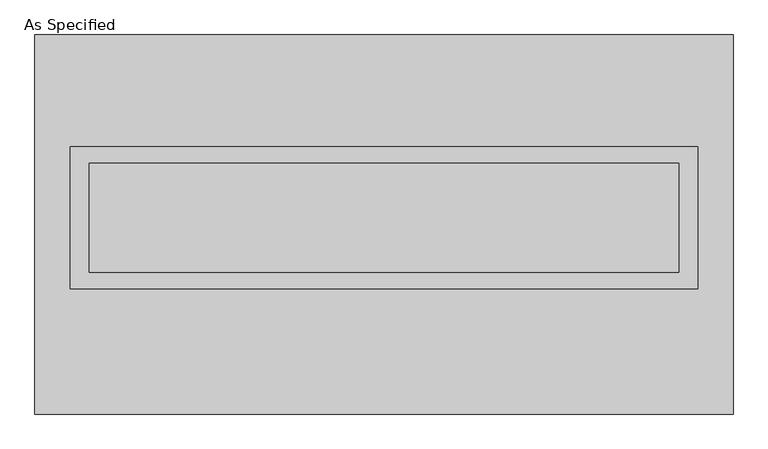
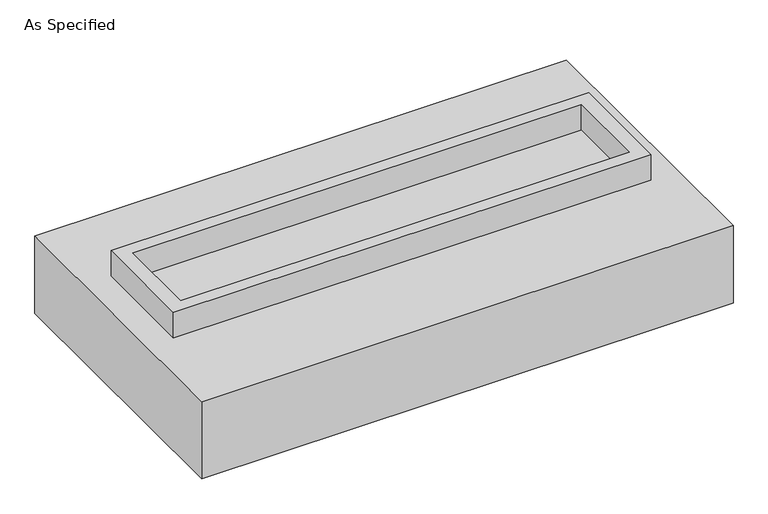
"""IFC4 building model written with IfcOpenShell, lengths in millimetres: proxy geometry, As Specified."""

from ifc_helpers import new_model, si_unit, frame, origin, place, context, project, spatial, polyline, outline, extrude, faceted_brep, source, transform, mapped, element, save


def as_specified_61cdba6b(model_context):
    return source(origin(), model_context, "Body", "SolidModel", [
        extrude(outline(polyline([(1460.5, 361.95), (1460.5, -298.45), (-1460.5, -298.45), (-1460.5, 361.95), (1460.5, 361.95)]), holes=[polyline([(1371.6, 285.75), (-1371.6, 285.75), (-1371.6, -222.25), (1371.6, -222.25), (1371.6, 285.75)])]), frame((0.0, 0.0, -25.4), z_axis=(0.0, 0.0, 1.0), x_axis=(1.0, 0.0, 0.0)), (0.0, 0.0, 1.0), 165.1),
        extrude(outline(polyline([(1371.6, 285.75), (1371.6, -222.25), (-1371.6, -222.25), (-1371.6, 285.75), (1371.6, 285.75)])), frame((0.0, 0.0, -30.3609375), z_axis=(0.0, 0.0, 1.0), x_axis=(1.0, 0.0, 0.0)), (0.0, 0.0, 1.0), 4.9609375),
        faceted_brep([(1625.6, -882.65, -523.875), (-1625.6, -882.65, -523.875), (-1625.6, 882.65, -523.875), (1625.6, 882.65, -523.875), (1625.6, 882.65, -25.4), (-1625.6, 882.65, -25.4), (-1625.6, -882.65, -25.4), (1625.6, -882.65, -25.4), (1460.5, 361.95, -25.4), (1460.5, -298.45, -25.4), (-1460.5, -298.45, -25.4), (-1460.5, 361.95, -25.4), (1460.5, 361.95, -498.475), (-1460.5, 361.95, -498.475), (-1460.5, -298.45, -498.475), (1460.5, -298.45, -498.475)], [[[0, 1, 2, 3]], [[4, 5, 6, 7], [8, 9, 10, 11]], [[3, 2, 5, 4]], [[2, 1, 6, 5]], [[0, 3, 4, 7]], [[12, 13, 14, 15]], [[14, 13, 11, 10]], [[13, 12, 8, 11]], [[12, 15, 9, 8]], [[10, 9, 15, 14]], [[1, 0, 7, 6]]]),
    ])


if __name__ == "__main__":
    model = new_model("IFC4")
    model_context = context("Model", 3, world=origin())
    ifc_project = project(units=[si_unit("LENGTHUNIT", "METRE", prefix="MILLI")], contexts=[model_context])
    site = spatial("IfcSite", under=ifc_project)
    building = spatial("IfcBuilding", under=site)
    placement = place(None, origin())
    as_specified_shape = as_specified_61cdba6b(model_context)
    element("IfcBuildingElementProxy", 1, Name="As Specified", ObjectType="As Specified", at=placement, inside=building, context=model_context, shape_type="MappedRepresentation", body=[
        mapped(as_specified_shape, transform((0.0, 0.0, 0.0), x_axis=(1.0, 0.0, 0.0), y_axis=(0.0, 1.0, 0.0), z_axis=(0.0, 0.0, 1.0))),
    ])
    save(model, "model.ifc")
